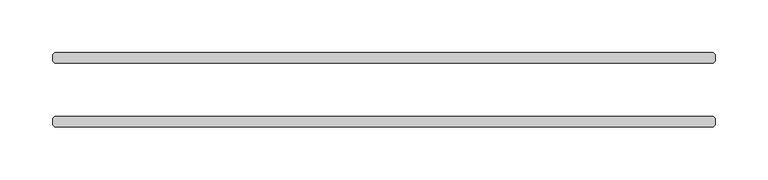
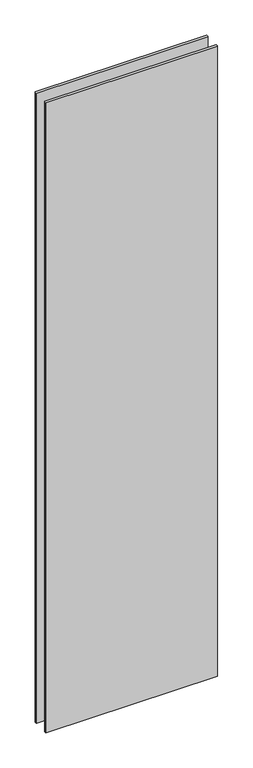
"""IFC4 building model written with IfcOpenShell, lengths in millimetres: plate geometry."""

from ifc_helpers import new_model, si_unit, origin, origin_with_axes, place, context, project, spatial, polyline, outline, extrude, source, transform, mapped, element, save


def plate_b72b2f71(model_context):
    return source(origin(), model_context, "Body", "SweptSolid", [
        extrude(outline(polyline([(310.753125, 25.4), (-310.753125, 25.4), (-312.340625, 26.9875), (-312.340625, 33.3375), (-310.753125, 34.925), (310.753125, 34.925), (312.340625, 33.3375), (312.340625, 26.9875), (310.753125, 25.4)])), origin_with_axes(), (0.0, 0.0, 1.0), 2417.7625023),
        extrude(outline(polyline([(310.753125, -34.925), (-310.753125, -34.925), (-312.340625, -33.3375), (-312.340625, -26.9875), (-310.753125, -25.4), (310.753125, -25.4), (312.340625, -26.9875), (312.340625, -33.3375), (310.753125, -34.925)])), origin_with_axes(), (0.0, 0.0, 1.0), 2417.7625023),
    ])


if __name__ == "__main__":
    model = new_model("IFC4")
    model_context = context("Model", 3, world=origin())
    ifc_project = project(units=[si_unit("LENGTHUNIT", "METRE", prefix="MILLI")], contexts=[model_context])
    site = spatial("IfcSite", under=ifc_project)
    building = spatial("IfcBuilding", under=site)
    placement = place(None, origin())
    plate_shape = plate_b72b2f71(model_context)
    element("IfcPlate", 1, at=placement, inside=building, context=model_context, shape_type="MappedRepresentation", body=[
        mapped(plate_shape, transform((0.0, 0.0, 0.0), x_axis=(1.0, 0.0, 0.0), y_axis=(0.0, 1.0, 0.0), z_axis=(0.0, 0.0, 1.0))),
    ])
    save(model, "model.ifc")
